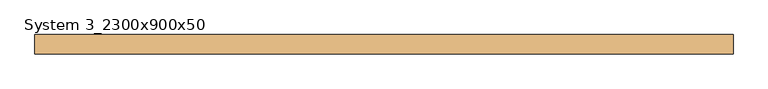
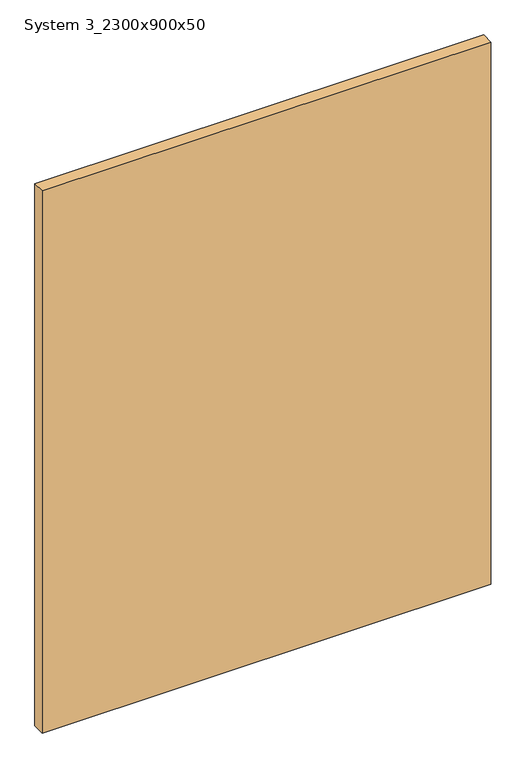
"""IFC4 building model written with IfcOpenShell, lengths in millimetres: door geometry, System 3_2300x900x50."""

from ifc_helpers import new_model, si_unit, frame, origin, place, context, project, spatial, polyline, outline, extrude, source, transform, mapped, element, save


def system_3_2300x900x50_827e090c(model_context):
    return source(origin(), model_context, "Body", "SweptSolid", [
        extrude(outline(polyline([(900.0, -25.0), (-900.0, -25.0), (-900.0, 25.0), (900.0, 25.0), (900.0, -25.0)])), frame((0.0, 0.0, 13.0), z_axis=(0.0, 0.0, 1.0), x_axis=(1.0, 0.0, 0.0)), (0.0, 0.0, 1.0), 2300.0),
    ])


if __name__ == "__main__":
    model = new_model("IFC4")
    model_context = context("Model", 3, world=origin())
    ifc_project = project(units=[si_unit("LENGTHUNIT", "METRE", prefix="MILLI")], contexts=[model_context])
    site = spatial("IfcSite", under=ifc_project)
    building = spatial("IfcBuilding", under=site)
    placement = place(None, origin())
    system_3_2300x900x50_shape = system_3_2300x900x50_827e090c(model_context)
    element("IfcDoor", 1, ObjectType="System 3_2300x900x50", at=placement, inside=building, context=model_context, shape_type="MappedRepresentation", body=[
        mapped(system_3_2300x900x50_shape, transform((0.0, 0.0, 0.0), x_axis=(1.0, 0.0, 0.0), y_axis=(0.0, 1.0, 0.0), z_axis=(0.0, 0.0, 1.0))),
    ])
    save(model, "model.ifc")
